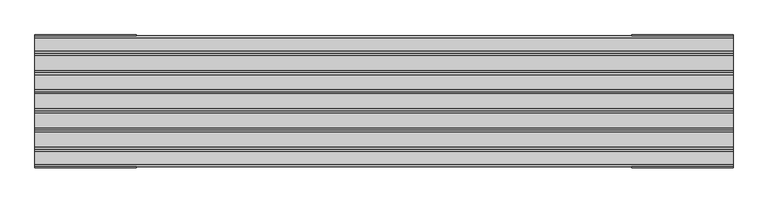
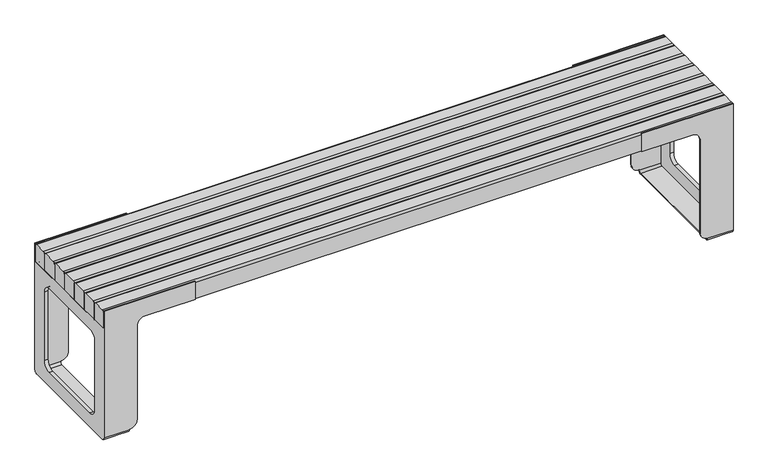
"""IFC4 building model written with IfcOpenShell, lengths in millimetres: furniture geometry."""

from ifc_helpers import new_model, si_unit, point, frame, frame_2d, origin, place, context, project, spatial, polyline, circle_curve, trimmed, segment, composite_curve, outline, extrude, source, transform, mapped, element, save
from ifc_brep_helpers import plane_surface, cylinder_surface, revolved_surface, advanced_brep


def furniture_3f1389cd(model_context):
    return source(origin(), model_context, "Body", "SolidModel", [
        advanced_brep(
        [(920.0000032, 190.4999943, 10.0), (920.0000032, 180.4999943, 0.0), (920.0000032, -180.5000057, 0.0), (920.0000032, -190.5000057, 10.0), (920.0000032, -190.5000057, 11.2), (920.0000032, -187.5000057, 11.2), (920.0000032, -187.5000057, 9.6519473), (920.0000032, -180.5000057, 2.6519473), (920.0000032, 180.4999958, 2.6519473), (920.0000032, 187.4999958, 9.6519473), (920.0000032, 187.4999958, 11.2), (920.0000032, 190.4999943, 11.2), (920.0000032, 180.4999958, 372.0000043), (920.0000032, -180.5000057, 372.0000043), (920.0000032, -187.5000057, 365.0000043), (920.0000032, -187.4999958, 375.0000029), (920.0000032, 187.4999958, 375.0000029), (920.0000032, 187.4999958, 365.0000043), (1000.0000075, -190.5000057, 10.0), (1000.0000075, -180.5000057, 0.0), (1000.0000075, 180.4999943, 0.0), (1000.0000075, 190.4999943, 10.0), (1000.0000075, 190.5000057, 435.0000106), (1000.0000075, 187.4999958, 435.0000106), (1000.0000075, 187.4999958, 375.0000029), (1000.0000075, -187.4999958, 375.0000029), (1000.0000075, -187.4999958, 435.0000106), (1000.0000075, -190.5000057, 435.0000106), (1000.0000075, 112.5000317, 327.8461224), (1000.0000075, 137.5000317, 302.8461224), (1000.0000075, 137.5000317, 72.0000018), (1000.0000075, 112.5000317, 47.0000018), (1000.0000075, -112.4999704, 47.0000018), (1000.0000075, -137.4999704, 72.0000018), (1000.0000075, -137.4999704, 302.8461224), (1000.0000075, -112.4999704, 327.8461224), (895.000003, 190.4999943, 36.2000001), (895.000003, 190.4999943, 350.0000029), (870.000003, 190.4999943, 375.0000029), (710.0000125, 190.4999943, 375.0000029), (710.0000125, 190.4999943, 435.0000106), (710.0000125, -190.5000057, 435.0000106), (710.0000125, -190.5000057, 375.0000029), (870.000003, -190.5000057, 375.0000029), (895.000003, -190.5000057, 350.0000029), (895.000003, -190.5000057, 36.2000001), (895.000003, -187.4999958, 36.2000001), (895.000003, -187.4999958, 350.0000029), (870.000003, -187.4999958, 375.0000029), (710.0000125, -187.4999958, 375.0000029), (710.0000125, -187.4999958, 435.0000106), (895.000003, 187.4999958, 36.2000001), (895.000003, 187.4999958, 350.0000029), (870.000003, 187.4999958, 375.0000029), (710.0000125, 187.4999958, 375.0000029), (710.0000125, 187.4999958, 435.0000106), (989.0000078, 187.4999958, 365.0000043), (989.0000078, 187.4999958, 9.6519473), (989.0000078, 180.4999958, 2.6519473), (989.0000078, -180.5000057, 2.6519473), (989.0000078, -187.5000057, 9.6519473), (989.0000078, -187.5000057, 365.0000043), (989.0000078, -180.5000057, 372.0000043), (989.0000078, 180.4999958, 372.0000043), (989.0000078, 137.5000317, 302.8461224), (989.0000078, 112.5000317, 327.8461224), (989.0000078, -112.4999704, 327.8461224), (989.0000078, -137.4999704, 302.8461224), (989.0000078, -137.4999704, 72.0000018), (989.0000078, -112.4999704, 47.0000018), (989.0000078, 112.5000317, 47.0000018), (989.0000078, 137.5000317, 72.0000018)],
        [
            (0, 1, circle_curve(frame((920.0000032, 180.4999943, 10.0), z_axis=(-1.0, 0.0, 0.0), x_axis=(0.0, -1.0, 0.0)), 10.0)),
            (1, 2),
            (2, 3, circle_curve(frame((920.0000032, -180.5000057, 10.0), z_axis=(-1.0, 0.0, 0.0), x_axis=(0.0, -1.0, 0.0)), 10.0)),
            (3, 4),
            (4, 5),
            (5, 6),
            (6, 7, circle_curve(frame((920.0000032, -180.5000057, 9.6519473), z_axis=(1.0, 0.0, 0.0), x_axis=(0.0, -1.0, 0.0)), 7.0)),
            (7, 8),
            (8, 9, circle_curve(frame((920.0000032, 180.4999958, 9.6519473), z_axis=(1.0, 0.0, 0.0), x_axis=(0.0, -1.0, 0.0)), 7.0)),
            (9, 10),
            (10, 11),
            (11, 0),
            (12, 13),
            (13, 14, circle_curve(frame((920.0000032, -180.5000057, 365.0000043), z_axis=(1.0, 0.0, 0.0), x_axis=(0.0, -1.0, 0.0)), 7.0)),
            (14, 15),
            (15, 16),
            (16, 17),
            (17, 12, circle_curve(frame((920.0000032, 180.4999958, 365.0000043), z_axis=(1.0, 0.0, 0.0), x_axis=(0.0, -1.0, 0.0)), 7.0)),
            (18, 19, circle_curve(frame((1000.0000075, -180.5000057, 10.0), z_axis=(1.0, 0.0, 0.0), x_axis=(0.0, -1.0, 0.0)), 10.0)),
            (19, 20),
            (20, 21, circle_curve(frame((1000.0000075, 180.4999943, 10.0), z_axis=(1.0, 0.0, 0.0), x_axis=(0.0, -1.0, 0.0)), 10.0)),
            (21, 22),
            (22, 23),
            (23, 24),
            (24, 25),
            (25, 26),
            (26, 27),
            (27, 18),
            (28, 29, circle_curve(frame((1000.0000075, 112.5000317, 302.8461224), z_axis=(-1.0, 0.0, 0.0), x_axis=(0.0, -1.0, 0.0)), 25.0)),
            (29, 30),
            (30, 31, circle_curve(frame((1000.0000075, 112.5000317, 72.0000018), z_axis=(-1.0, 0.0, 0.0), x_axis=(0.0, -1.0, 0.0)), 25.0)),
            (31, 32),
            (32, 33, circle_curve(frame((1000.0000075, -112.4999704, 72.0000018), z_axis=(-1.0, 0.0, 0.0), x_axis=(0.0, -1.0, 0.0)), 25.0)),
            (33, 34),
            (34, 35, circle_curve(frame((1000.0000075, -112.4999704, 302.8461224), z_axis=(-1.0, 0.0, 0.0), x_axis=(0.0, -1.0, 0.0)), 25.0)),
            (35, 28),
            (21, 0),
            (11, 36, circle_curve(frame((920.0000032, 190.4999943, 36.2000001), z_axis=(0.0, 1.0, 0.0), x_axis=(-1.0, 0.0, 0.0)), 25.0000002)),
            (36, 37),
            (37, 38, circle_curve(frame((870.000003, 190.4999943, 350.0000029), z_axis=(0.0, -1.0, 0.0), x_axis=(-1.0, 0.0, 0.0)), 25.0)),
            (38, 39),
            (39, 40),
            (40, 22),
            (15, 25),
            (24, 16),
            (3, 18),
            (27, 41),
            (41, 42),
            (42, 43),
            (43, 44, circle_curve(frame((870.000003, -190.5000057, 350.0000029), z_axis=(0.0, 1.0, 0.0), x_axis=(-1.0, 0.0, 0.0)), 25.0)),
            (44, 45),
            (45, 4, circle_curve(frame((920.0000032, -190.5000057, 36.2000001), z_axis=(0.0, -1.0, 0.0), x_axis=(-1.0, 0.0, 0.0)), 25.0000002)),
            (2, 19),
            (1, 20),
            (45, 46),
            (46, 5, circle_curve(frame((920.0000032, -187.4999958, 36.2000001), z_axis=(0.0, -1.0, 0.0), x_axis=(-1.0, 0.0, 0.0)), 25.0000002)),
            (44, 47),
            (47, 46),
            (43, 48),
            (48, 47, circle_curve(frame((870.000003, -187.4999958, 350.0000029), z_axis=(0.0, 1.0, 0.0), x_axis=(-1.0, 0.0, 0.0)), 25.0)),
            (42, 49),
            (49, 48),
            (41, 50),
            (50, 49),
            (26, 50),
            (10, 51, circle_curve(frame((920.0000032, 187.4999958, 36.2000001), z_axis=(0.0, 1.0, 0.0), x_axis=(-1.0, 0.0, 0.0)), 25.0000002)),
            (51, 36),
            (51, 52),
            (52, 37),
            (52, 53, circle_curve(frame((870.000003, 187.4999958, 350.0000029), z_axis=(0.0, -1.0, 0.0), x_axis=(-1.0, 0.0, 0.0)), 25.0)),
            (53, 38),
            (53, 54),
            (54, 39),
            (54, 55),
            (55, 40),
            (55, 23),
            (56, 57),
            (57, 58, circle_curve(frame((989.0000078, 180.4999958, 9.6519473), z_axis=(-1.0, 0.0, 0.0), x_axis=(0.0, -1.0, 0.0)), 7.0)),
            (58, 59),
            (59, 60, circle_curve(frame((989.0000078, -180.5000057, 9.6519473), z_axis=(-1.0, 0.0, 0.0), x_axis=(0.0, -1.0, 0.0)), 7.0)),
            (60, 61),
            (61, 62, circle_curve(frame((989.0000078, -180.5000057, 365.0000043), z_axis=(-1.0, 0.0, 0.0), x_axis=(0.0, -1.0, 0.0)), 7.0)),
            (62, 63),
            (63, 56, circle_curve(frame((989.0000078, 180.4999958, 365.0000043), z_axis=(-1.0, 0.0, 0.0), x_axis=(0.0, -1.0, 0.0)), 7.0)),
            (64, 65, circle_curve(frame((989.0000078, 112.5000317, 302.8461224), z_axis=(1.0, 0.0, 0.0), x_axis=(0.0, -1.0, 0.0)), 25.0)),
            (65, 66),
            (66, 67, circle_curve(frame((989.0000078, -112.4999704, 302.8461224), z_axis=(1.0, 0.0, 0.0), x_axis=(0.0, -1.0, 0.0)), 25.0)),
            (67, 68),
            (68, 69, circle_curve(frame((989.0000078, -112.4999704, 72.0000018), z_axis=(1.0, 0.0, 0.0), x_axis=(0.0, -1.0, 0.0)), 25.0)),
            (69, 70),
            (70, 71, circle_curve(frame((989.0000078, 112.5000317, 72.0000018), z_axis=(1.0, 0.0, 0.0), x_axis=(0.0, -1.0, 0.0)), 25.0)),
            (71, 64),
            (62, 13),
            (12, 63),
            (60, 6),
            (14, 61),
            (58, 8),
            (7, 59),
            (56, 17),
            (9, 57),
            (64, 29),
            (28, 65),
            (35, 66),
            (34, 67),
            (33, 68),
            (32, 69),
            (31, 70),
            (30, 71),
        ],
        [
            plane_surface(frame((920.0000032, 170.4999943, 10.0), z_axis=(-1.0, 0.0, 0.0), x_axis=(0.0, 0.0, 1.0))),
            plane_surface(frame((1000.0000075, 170.4999943, 10.0), z_axis=(1.0, 0.0, 0.0), x_axis=(0.0, 0.0, -1.0))),
            plane_surface(frame((920.0000032, 190.4999943, 375.0000029), z_axis=(0.0, 1.0, 0.0), x_axis=(1.0, 0.0, 0.0))),
            plane_surface(frame((920.0000032, -190.5000057, 375.0000029), z_axis=(0.0, 0.0, 1.0), x_axis=(1.0, 0.0, 0.0))),
            plane_surface(frame((920.0000032, -190.5000057, 10.0), z_axis=(0.0, -1.0, 0.0), x_axis=(1.0, 0.0, 0.0))),
            cylinder_surface(frame((1000.0000075, -180.5000057, 10.0), z_axis=(-1.0, 0.0, 0.0), x_axis=(0.0, -1.0, 0.0)), 10.0),
            plane_surface(frame((920.0000032, 180.4999943, 0.0), z_axis=(0.0, 0.0, -1.0), x_axis=(1.0, 0.0, 0.0))),
            cylinder_surface(frame((1000.0000075, 180.4999943, 10.0), z_axis=(-1.0, 0.0, 0.0), x_axis=(0.0, -1.0, 0.0)), 10.0),
            cylinder_surface(frame((920.0000032, -187.4999958, 36.2000001), z_axis=(0.0, -1.0, 0.0), x_axis=(-1.0, 0.0, 0.0)), 25.0000002),
            plane_surface(frame((895.000003, -190.5000057, 350.0000029), z_axis=(-1.0, 0.0, 0.0), x_axis=(0.0, 1.0, 0.0))),
            revolved_surface(polyline([(845.000003, -187.4999958, 350.0000029), (845.000003, -190.5000057, 350.0000029)]), (870.000003, -187.4999958, 350.0000029), (0.0, 1.0, 0.0)),
            plane_surface(frame((710.0000125, -190.5000057, 375.0000029), z_axis=(0.0, 0.0, -1.0), x_axis=(0.0, 1.0, 0.0))),
            plane_surface(frame((710.0000125, -190.5000057, 435.0000106), z_axis=(-1.0, 0.0, 0.0), x_axis=(0.0, 1.0, 0.0))),
            plane_surface(frame((1000.0000075, -190.5000057, 435.0000106), z_axis=(0.0, 0.0, 1.0), x_axis=(0.0, 1.0, 0.0))),
            cylinder_surface(frame((920.0000032, 187.4999958, 36.2000001), z_axis=(0.0, 1.0, 0.0), x_axis=(-1.0, 0.0, 0.0)), 25.0000002),
            plane_surface(frame((895.000003, 190.5000057, 36.2000001), z_axis=(-1.0, 0.0, 0.0), x_axis=(0.0, -1.0, 0.0))),
            revolved_surface(polyline([(845.000003, 187.4999958, 350.0000029), (845.000003, 190.4999943, 350.0000029)]), (870.000003, 187.4999958, 350.0000029), (0.0, -1.0, 0.0)),
            plane_surface(frame((870.000003, 190.5000057, 375.0000029), z_axis=(0.0, 0.0, -1.0), x_axis=(0.0, -1.0, 0.0))),
            plane_surface(frame((710.0000125, 190.5000057, 375.0000029), z_axis=(-1.0, 0.0, 0.0), x_axis=(0.0, -1.0, 0.0))),
            plane_surface(frame((710.0000125, 190.5000057, 435.0000106), z_axis=(0.0, 0.0, 1.0), x_axis=(0.0, -1.0, 0.0))),
            plane_surface(frame((989.0000078, 187.4999958, 11.3137092), z_axis=(-1.0, 0.0, 0.0), x_axis=(0.0, 0.0, 1.0))),
            plane_surface(frame((870.0000119, -180.5000057, 372.0000043), z_axis=(0.0, 0.0, -1.0), x_axis=(1.0, 0.0, 0.0))),
            plane_surface(frame((870.0000119, -187.5000057, 9.6519473), z_axis=(0.0, 1.0, 0.0), x_axis=(1.0, 0.0, 0.0))),
            plane_surface(frame((870.0000119, 180.4999958, 2.6519473), z_axis=(0.0, 0.0, 1.0), x_axis=(1.0, 0.0, 0.0))),
            plane_surface(frame((870.0000119, 187.4999958, 365.0000043), z_axis=(0.0, -1.0, 0.0), x_axis=(1.0, 0.0, 0.0))),
            revolved_surface(polyline([(920.0000032, 173.4999958, 365.0000043), (989.0000078, 173.4999958, 365.0000043)]), (989.0000078, 180.4999958, 365.0000043), (-1.0, 0.0, 0.0)),
            revolved_surface(polyline([(920.0000032, -187.5000057, 365.0000043), (989.0000078, -187.5000057, 365.0000043)]), (989.0000078, -180.5000057, 365.0000043), (-1.0, 0.0, 0.0)),
            revolved_surface(polyline([(920.0000032, -187.5000057, 9.6519473), (989.0000078, -187.5000057, 9.6519473)]), (989.0000078, -180.5000057, 9.6519473), (-1.0, 0.0, 0.0)),
            revolved_surface(polyline([(920.0000032, 173.4999958, 9.6519473), (989.0000078, 173.4999958, 9.6519473)]), (989.0000078, 180.4999958, 9.6519473), (-1.0, 0.0, 0.0)),
            revolved_surface(polyline([(1000.0000075, 87.5000317, 302.8461224), (989.0000078, 87.5000317, 302.8461224)]), (-1034.837753, 112.5000317, 302.8461224), (1.0, 0.0, 0.0)),
            plane_surface(frame((1231.682456, 112.5000317, 327.8461224), z_axis=(0.0, 0.0, -1.0), x_axis=(-1.0, 0.0, 0.0))),
            revolved_surface(polyline([(1000.0000075, -137.4999704, 302.8461224), (989.0000078, -137.4999704, 302.8461224)]), (-1034.837753, -112.4999704, 302.8461224), (1.0, 0.0, 0.0)),
            plane_surface(frame((1231.682456, -137.4999704, 302.8461224), z_axis=(0.0, 1.0, 0.0), x_axis=(-1.0, 0.0, 0.0))),
            revolved_surface(polyline([(1000.0000075, -137.4999704, 72.0000018), (989.0000078, -137.4999704, 72.0000018)]), (-1034.837753, -112.4999704, 72.0000018), (1.0, 0.0, 0.0)),
            plane_surface(frame((1231.682456, -112.4999704, 47.0000018), z_axis=(0.0, 0.0, 1.0), x_axis=(-1.0, 0.0, 0.0))),
            revolved_surface(polyline([(1000.0000075, 87.5000317, 72.0000018), (989.0000078, 87.5000317, 72.0000018)]), (-1034.837753, 112.5000317, 72.0000018), (1.0, 0.0, 0.0)),
            plane_surface(frame((1231.682456, 137.5000317, 72.0000018), z_axis=(0.0, -1.0, 0.0), x_axis=(-1.0, 0.0, 0.0))),
        ],
        [
            (0, [[1, 2, 3, 4, 5, 6, 7, 8, 9, 10, 11, 12]]),
            (0, [[13, 14, 15, 16, 17, 18]]),
            (1, [[19, 20, 21, 22, 23, 24, 25, 26, 27, 28], [29, 30, 31, 32, 33, 34, 35, 36]]),
            (2, [[37, -12, 38, 39, 40, 41, 42, 43, -22]]),
            (3, [[44, -25, 45, -16]]),
            (4, [[46, -28, 47, 48, 49, 50, 51, 52, -4]]),
            (5, [[-3, 53, -19, -46]]),
            (6, [[-2, 54, -20, -53]]),
            (7, [[-1, -37, -21, -54]]),
            (8, [[-52, 55, 56, -5]]),
            (9, [[-51, 57, 58, -55]]),
            (10, [[-50, 59, 60, -57]]),
            (11, [[-49, 61, 62, -59]]),
            (12, [[-48, 63, 64, -61]]),
            (13, [[-47, -27, 65, -63]]),
            (14, [[-38, -11, 66, 67]]),
            (15, [[-39, -67, 68, 69]]),
            (16, [[-40, -69, 70, 71]]),
            (17, [[-41, -71, 72, 73]]),
            (18, [[-42, -73, 74, 75]]),
            (19, [[-43, -75, 76, -23]]),
            (20, [[77, 78, 79, 80, 81, 82, 83, 84], [85, 86, 87, 88, 89, 90, 91, 92]]),
            (21, [[-83, 93, -13, 94]]),
            (22, [[-81, 95, -6, -56, -58, -60, -62, -64, -65, -26, -44, -15, 96]]),
            (23, [[-79, 97, -8, 98]]),
            (24, [[-77, 99, -17, -45, -24, -76, -74, -72, -70, -68, -66, -10, 100]]),
            (25, [[-84, -94, -18, -99]]),
            (26, [[-82, -96, -14, -93]]),
            (27, [[-80, -98, -7, -95]]),
            (28, [[-78, -100, -9, -97]]),
            (29, [[101, -29, 102, -85]]),
            (30, [[-102, -36, 103, -86]]),
            (31, [[-103, -35, 104, -87]]),
            (32, [[-104, -34, 105, -88]]),
            (33, [[-105, -33, 106, -89]]),
            (34, [[-106, -32, 107, -90]]),
            (35, [[-107, -31, 108, -91]]),
            (36, [[-101, -92, -108, -30]]),
        ],
    ),
        advanced_brep(
        [(-920.0000032, -190.5000057, 10.0), (-920.0000032, -180.5000057, 0.0), (-920.0000032, 180.4999943, 0.0), (-920.0000032, 190.4999943, 10.0), (-920.0000032, 190.4999943, 11.2), (-920.0000032, 187.4999958, 11.2), (-920.0000032, 187.4999958, 9.6519473), (-920.0000032, 180.4999958, 2.6519473), (-920.0000032, -180.5000057, 2.6519473), (-920.0000032, -187.5000057, 9.6519473), (-920.0000032, -187.5000057, 11.2), (-920.0000032, -190.5000057, 11.2), (-920.0000032, -180.5000057, 372.0000043), (-920.0000032, 180.4999958, 372.0000043), (-920.0000032, 187.4999958, 365.0000043), (-920.0000032, 187.4999958, 375.0000029), (-920.0000032, -187.4999958, 375.0000029), (-920.0000032, -187.4999958, 365.0000043), (-1000.0000075, 190.4999943, 10.0), (-1000.0000075, 180.4999943, 0.0), (-1000.0000075, -180.5000057, 0.0), (-1000.0000075, -190.5000057, 10.0), (-1000.0000075, -190.5000057, 435.0000106), (-1000.0000075, -187.4999958, 435.0000106), (-1000.0000075, -187.4999958, 375.0000029), (-1000.0000075, 187.4999958, 375.0000029), (-1000.0000075, 187.4999958, 435.0000106), (-1000.0000075, 190.5000057, 435.0000106), (-1000.0000075, 137.5000317, 302.8461224), (-1000.0000075, 112.5000317, 327.8461224), (-1000.0000075, -112.4999704, 327.8461224), (-1000.0000075, -137.4999704, 302.8461224), (-1000.0000075, -137.4999704, 72.0000018), (-1000.0000075, -112.4999704, 47.0000018), (-1000.0000075, 112.5000317, 47.0000018), (-1000.0000075, 137.5000317, 72.0000018), (-710.0000125, 190.4999943, 435.0000106), (-710.0000125, 190.4999943, 375.0000029), (-870.000003, 190.4999943, 375.0000029), (-895.000003, 190.4999943, 350.0000029), (-895.000003, 190.4999943, 36.2000001), (-895.000003, -190.5000057, 36.2000001), (-895.000003, -190.5000057, 350.0000029), (-870.000003, -190.5000057, 375.0000029), (-710.0000125, -190.5000057, 375.0000029), (-710.0000125, -190.5000057, 435.0000106), (-895.000003, -187.4999958, 36.2000001), (-895.000003, -187.4999958, 350.0000029), (-870.000003, -187.4999958, 375.0000029), (-710.0000125, -187.4999958, 375.0000029), (-710.0000125, -187.4999958, 435.0000106), (-895.000003, 187.4999958, 36.2000001), (-895.000003, 187.4999958, 350.0000029), (-870.000003, 187.4999958, 375.0000029), (-710.0000125, 187.4999958, 375.0000029), (-710.0000125, 187.4999958, 435.0000106), (-989.0000078, 187.4999958, 365.0000043), (-989.0000078, 180.4999958, 372.0000043), (-989.0000078, -180.5000057, 372.0000043), (-989.0000078, -187.5000057, 365.0000043), (-989.0000078, -187.5000057, 9.6519473), (-989.0000078, -180.5000057, 2.6519473), (-989.0000078, 180.4999958, 2.6519473), (-989.0000078, 187.4999958, 9.6519473), (-989.0000078, 112.5000317, 327.8461224), (-989.0000078, 137.5000317, 302.8461224), (-989.0000078, 137.5000317, 72.0000018), (-989.0000078, 112.5000317, 47.0000018), (-989.0000078, -112.4999704, 47.0000018), (-989.0000078, -137.4999704, 72.0000018), (-989.0000078, -137.4999704, 302.8461224), (-989.0000078, -112.4999704, 327.8461224)],
        [
            (0, 1, circle_curve(frame((-920.0000032, -180.5000057, 10.0), z_axis=(1.0, 0.0, 0.0), x_axis=(0.0, -1.0, 0.0)), 10.0)),
            (1, 2),
            (2, 3, circle_curve(frame((-920.0000032, 180.4999943, 10.0), z_axis=(1.0, 0.0, 0.0), x_axis=(0.0, -1.0, 0.0)), 10.0)),
            (3, 4),
            (4, 5),
            (5, 6),
            (6, 7, circle_curve(frame((-920.0000032, 180.4999958, 9.6519473), z_axis=(-1.0, 0.0, 0.0), x_axis=(0.0, -1.0, 0.0)), 7.0)),
            (7, 8),
            (8, 9, circle_curve(frame((-920.0000032, -180.5000057, 9.6519473), z_axis=(-1.0, 0.0, 0.0), x_axis=(0.0, -1.0, 0.0)), 7.0)),
            (9, 10),
            (10, 11),
            (11, 0),
            (12, 13),
            (13, 14, circle_curve(frame((-920.0000032, 180.4999958, 365.0000043), z_axis=(-1.0, 0.0, 0.0), x_axis=(0.0, -1.0, 0.0)), 7.0)),
            (14, 15),
            (15, 16),
            (16, 17),
            (17, 12, circle_curve(frame((-920.0000032, -180.5000057, 365.0000043), z_axis=(-1.0, 0.0, 0.0), x_axis=(0.0, -1.0, 0.0)), 7.0)),
            (18, 19, circle_curve(frame((-1000.0000075, 180.4999943, 10.0), z_axis=(-1.0, 0.0, 0.0), x_axis=(0.0, -1.0, 0.0)), 10.0)),
            (19, 20),
            (20, 21, circle_curve(frame((-1000.0000075, -180.5000057, 10.0), z_axis=(-1.0, 0.0, 0.0), x_axis=(0.0, -1.0, 0.0)), 10.0)),
            (21, 22),
            (22, 23),
            (23, 24),
            (24, 25),
            (25, 26),
            (26, 27),
            (27, 18),
            (28, 29, circle_curve(frame((-1000.0000075, 112.5000317, 302.8461224), z_axis=(1.0, 0.0, 0.0), x_axis=(0.0, -1.0, 0.0)), 25.0)),
            (29, 30),
            (30, 31, circle_curve(frame((-1000.0000075, -112.4999704, 302.8461224), z_axis=(1.0, 0.0, 0.0), x_axis=(0.0, -1.0, 0.0)), 25.0)),
            (31, 32),
            (32, 33, circle_curve(frame((-1000.0000075, -112.4999704, 72.0000018), z_axis=(1.0, 0.0, 0.0), x_axis=(0.0, -1.0, 0.0)), 25.0)),
            (33, 34),
            (34, 35, circle_curve(frame((-1000.0000075, 112.5000317, 72.0000018), z_axis=(1.0, 0.0, 0.0), x_axis=(0.0, -1.0, 0.0)), 25.0)),
            (35, 28),
            (27, 36),
            (36, 37),
            (37, 38),
            (38, 39, circle_curve(frame((-870.000003, 190.4999943, 350.0000029), z_axis=(0.0, -1.0, 0.0), x_axis=(1.0, 0.0, 0.0)), 25.0)),
            (39, 40),
            (40, 4, circle_curve(frame((-920.0000032, 190.4999943, 36.2000001), z_axis=(0.0, 1.0, 0.0), x_axis=(1.0, 0.0, 0.0)), 25.0000002)),
            (3, 18),
            (24, 16),
            (15, 25),
            (21, 0),
            (11, 41, circle_curve(frame((-920.0000032, -190.5000057, 36.2000001), z_axis=(0.0, -1.0, 0.0), x_axis=(1.0, 0.0, 0.0)), 25.0000002)),
            (41, 42),
            (42, 43, circle_curve(frame((-870.000003, -190.5000057, 350.0000029), z_axis=(0.0, 1.0, 0.0), x_axis=(1.0, 0.0, 0.0)), 25.0)),
            (43, 44),
            (44, 45),
            (45, 22),
            (20, 1),
            (19, 2),
            (10, 46, circle_curve(frame((-920.0000032, -187.4999958, 36.2000001), z_axis=(0.0, -1.0, 0.0), x_axis=(1.0, 0.0, 0.0)), 25.0000002)),
            (46, 41),
            (46, 47),
            (47, 42),
            (47, 48, circle_curve(frame((-870.000003, -187.4999958, 350.0000029), z_axis=(0.0, 1.0, 0.0), x_axis=(1.0, 0.0, 0.0)), 25.0)),
            (48, 43),
            (48, 49),
            (49, 44),
            (49, 50),
            (50, 45),
            (50, 23),
            (40, 51),
            (51, 5, circle_curve(frame((-920.0000032, 187.4999958, 36.2000001), z_axis=(0.0, 1.0, 0.0), x_axis=(1.0, 0.0, 0.0)), 25.0000002)),
            (39, 52),
            (52, 51),
            (38, 53),
            (53, 52, circle_curve(frame((-870.000003, 187.4999958, 350.0000029), z_axis=(0.0, -1.0, 0.0), x_axis=(1.0, 0.0, 0.0)), 25.0)),
            (37, 54),
            (54, 53),
            (36, 55),
            (55, 54),
            (26, 55),
            (56, 57, circle_curve(frame((-989.0000078, 180.4999958, 365.0000043), z_axis=(1.0, 0.0, 0.0), x_axis=(0.0, -1.0, 0.0)), 7.0)),
            (57, 58),
            (58, 59, circle_curve(frame((-989.0000078, -180.5000057, 365.0000043), z_axis=(1.0, 0.0, 0.0), x_axis=(0.0, -1.0, 0.0)), 7.0)),
            (59, 60),
            (60, 61, circle_curve(frame((-989.0000078, -180.5000057, 9.6519473), z_axis=(1.0, 0.0, 0.0), x_axis=(0.0, -1.0, 0.0)), 7.0)),
            (61, 62),
            (62, 63, circle_curve(frame((-989.0000078, 180.4999958, 9.6519473), z_axis=(1.0, 0.0, 0.0), x_axis=(0.0, -1.0, 0.0)), 7.0)),
            (63, 56),
            (64, 65, circle_curve(frame((-989.0000078, 112.5000317, 302.8461224), z_axis=(-1.0, 0.0, 0.0), x_axis=(0.0, -1.0, 0.0)), 25.0)),
            (65, 66),
            (66, 67, circle_curve(frame((-989.0000078, 112.5000317, 72.0000018), z_axis=(-1.0, 0.0, 0.0), x_axis=(0.0, -1.0, 0.0)), 25.0)),
            (67, 68),
            (68, 69, circle_curve(frame((-989.0000078, -112.4999704, 72.0000018), z_axis=(-1.0, 0.0, 0.0), x_axis=(0.0, -1.0, 0.0)), 25.0)),
            (69, 70),
            (70, 71, circle_curve(frame((-989.0000078, -112.4999704, 302.8461224), z_axis=(-1.0, 0.0, 0.0), x_axis=(0.0, -1.0, 0.0)), 25.0)),
            (71, 64),
            (57, 13),
            (12, 58),
            (59, 17),
            (9, 60),
            (61, 8),
            (7, 62),
            (63, 6),
            (14, 56),
            (28, 65),
            (64, 29),
            (71, 30),
            (70, 31),
            (69, 32),
            (68, 33),
            (67, 34),
            (66, 35),
        ],
        [
            plane_surface(frame((-920.0000032, 190.4999943, 375.0000029), z_axis=(1.0, 0.0, 0.0), x_axis=(0.0, 0.0, 1.0))),
            plane_surface(frame((-1000.0000075, 190.4999943, 375.0000029), z_axis=(-1.0, 0.0, 0.0), x_axis=(0.0, 0.0, -1.0))),
            plane_surface(frame((-920.0000032, 190.4999943, 10.0), z_axis=(0.0, 1.0, 0.0), x_axis=(-1.0, 0.0, 0.0))),
            plane_surface(frame((-920.0000032, 190.4999943, 375.0000029), z_axis=(0.0, 0.0, 1.0), x_axis=(-1.0, 0.0, 0.0))),
            plane_surface(frame((-920.0000032, -190.5000057, 375.0000029), z_axis=(0.0, -1.0, 0.0), x_axis=(-1.0, 0.0, 0.0))),
            cylinder_surface(frame((-1000.0000075, -180.5000057, 10.0), z_axis=(1.0, 0.0, 0.0), x_axis=(0.0, -1.0, 0.0)), 10.0),
            plane_surface(frame((-920.0000032, -180.5000057, 0.0), z_axis=(0.0, 0.0, -1.0), x_axis=(-1.0, 0.0, 0.0))),
            cylinder_surface(frame((-1000.0000075, 180.4999943, 10.0), z_axis=(1.0, 0.0, 0.0), x_axis=(0.0, -1.0, 0.0)), 10.0),
            cylinder_surface(frame((-920.0000032, -187.4999958, 36.2000001), z_axis=(0.0, -1.0, 0.0), x_axis=(1.0, 0.0, 0.0)), 25.0000002),
            plane_surface(frame((-895.000003, -190.5000057, 36.2000001), z_axis=(1.0, 0.0, 0.0), x_axis=(0.0, 1.0, 0.0))),
            revolved_surface(polyline([(-845.000003, -187.4999958, 350.0000029), (-845.000003, -190.5000057, 350.0000029)]), (-870.000003, -187.4999958, 350.0000029), (0.0, 1.0, 0.0)),
            plane_surface(frame((-870.000003, -190.5000057, 375.0000029), z_axis=(0.0, 0.0, -1.0), x_axis=(0.0, 1.0, 0.0))),
            plane_surface(frame((-710.0000125, -190.5000057, 375.0000029), z_axis=(1.0, 0.0, 0.0), x_axis=(0.0, 1.0, 0.0))),
            plane_surface(frame((-710.0000125, -190.5000057, 435.0000106), z_axis=(0.0, 0.0, 1.0), x_axis=(0.0, 1.0, 0.0))),
            cylinder_surface(frame((-920.0000032, 187.4999958, 36.2000001), z_axis=(0.0, 1.0, 0.0), x_axis=(1.0, 0.0, 0.0)), 25.0000002),
            plane_surface(frame((-895.000003, 190.5000057, 350.0000029), z_axis=(1.0, 0.0, 0.0), x_axis=(0.0, -1.0, 0.0))),
            revolved_surface(polyline([(-845.000003, 187.4999958, 350.0000029), (-845.000003, 190.4999943, 350.0000029)]), (-870.000003, 187.4999958, 350.0000029), (0.0, -1.0, 0.0)),
            plane_surface(frame((-710.0000125, 190.5000057, 375.0000029), z_axis=(0.0, 0.0, -1.0), x_axis=(0.0, -1.0, 0.0))),
            plane_surface(frame((-710.0000125, 190.5000057, 435.0000106), z_axis=(1.0, 0.0, 0.0), x_axis=(0.0, -1.0, 0.0))),
            plane_surface(frame((-1000.0000075, 190.5000057, 435.0000106), z_axis=(0.0, 0.0, 1.0), x_axis=(0.0, -1.0, 0.0))),
            plane_surface(frame((-989.0000078, 173.4999958, 365.0000043), z_axis=(1.0, 0.0, 0.0), x_axis=(0.0, 0.0, 1.0))),
            plane_surface(frame((-870.0000119, 180.4999958, 372.0000043), z_axis=(0.0, 0.0, -1.0), x_axis=(-1.0, 0.0, 0.0))),
            plane_surface(frame((-870.0000119, -187.5000057, 365.0000043), z_axis=(0.0, 1.0, 0.0), x_axis=(-1.0, 0.0, 0.0))),
            plane_surface(frame((-870.0000119, -180.5000057, 2.6519473), z_axis=(0.0, 0.0, 1.0), x_axis=(-1.0, 0.0, 0.0))),
            plane_surface(frame((-870.0000119, 187.4999958, 9.6519473), z_axis=(0.0, -1.0, 0.0), x_axis=(-1.0, 0.0, 0.0))),
            revolved_surface(polyline([(-920.0000032, 173.4999958, 365.0000043), (-989.0000078, 173.4999958, 365.0000043)]), (-989.0000078, 180.4999958, 365.0000043), (1.0, 0.0, 0.0)),
            revolved_surface(polyline([(-920.0000032, -187.5000057, 365.0000043), (-989.0000078, -187.5000057, 365.0000043)]), (-989.0000078, -180.5000057, 365.0000043), (1.0, 0.0, 0.0)),
            revolved_surface(polyline([(-920.0000032, -187.5000057, 9.6519473), (-989.0000078, -187.5000057, 9.6519473)]), (-989.0000078, -180.5000057, 9.6519473), (1.0, 0.0, 0.0)),
            revolved_surface(polyline([(-920.0000032, 173.4999958, 9.6519473), (-989.0000078, 173.4999958, 9.6519473)]), (-989.0000078, 180.4999958, 9.6519473), (1.0, 0.0, 0.0)),
            revolved_surface(polyline([(-989.0000078, 87.5000317, 302.8461224), (-1000.0000075, 87.5000317, 302.8461224)]), (-1034.837753, 112.5000317, 302.8461224), (1.0, 0.0, 0.0)),
            plane_surface(frame((1231.682456, 112.5000317, 327.8461224), z_axis=(0.0, 0.0, -1.0), x_axis=(-1.0, 0.0, 0.0))),
            revolved_surface(polyline([(-989.0000078, -137.4999704, 302.8461224), (-1000.0000075, -137.4999704, 302.8461224)]), (-1034.837753, -112.4999704, 302.8461224), (1.0, 0.0, 0.0)),
            plane_surface(frame((1231.682456, -137.4999704, 302.8461224), z_axis=(0.0, 1.0, 0.0), x_axis=(-1.0, 0.0, 0.0))),
            revolved_surface(polyline([(-989.0000078, -137.4999704, 72.0000018), (-1000.0000075, -137.4999704, 72.0000018)]), (-1034.837753, -112.4999704, 72.0000018), (1.0, 0.0, 0.0)),
            plane_surface(frame((1231.682456, -112.4999704, 47.0000018), z_axis=(0.0, 0.0, 1.0), x_axis=(-1.0, 0.0, 0.0))),
            revolved_surface(polyline([(-989.0000078, 87.5000317, 72.0000018), (-1000.0000075, 87.5000317, 72.0000018)]), (-1034.837753, 112.5000317, 72.0000018), (1.0, 0.0, 0.0)),
            plane_surface(frame((1231.682456, 137.5000317, 72.0000018), z_axis=(0.0, -1.0, 0.0), x_axis=(-1.0, 0.0, 0.0))),
        ],
        [
            (0, [[1, 2, 3, 4, 5, 6, 7, 8, 9, 10, 11, 12]]),
            (0, [[13, 14, 15, 16, 17, 18]]),
            (1, [[19, 20, 21, 22, 23, 24, 25, 26, 27, 28], [29, 30, 31, 32, 33, 34, 35, 36]]),
            (2, [[-28, 37, 38, 39, 40, 41, 42, -4, 43]]),
            (3, [[44, -16, 45, -25]]),
            (4, [[46, -12, 47, 48, 49, 50, 51, 52, -22]]),
            (5, [[-1, -46, -21, 53]]),
            (6, [[-2, -53, -20, 54]]),
            (7, [[-3, -54, -19, -43]]),
            (8, [[-47, -11, 55, 56]]),
            (9, [[-48, -56, 57, 58]]),
            (10, [[-49, -58, 59, 60]]),
            (11, [[-50, -60, 61, 62]]),
            (12, [[-51, -62, 63, 64]]),
            (13, [[-52, -64, 65, -23]]),
            (14, [[-42, 66, 67, -5]]),
            (15, [[-41, 68, 69, -66]]),
            (16, [[-40, 70, 71, -68]]),
            (17, [[-39, 72, 73, -70]]),
            (18, [[-38, 74, 75, -72]]),
            (19, [[-37, -27, 76, -74]]),
            (20, [[77, 78, 79, 80, 81, 82, 83, 84], [85, 86, 87, 88, 89, 90, 91, 92]]),
            (21, [[-78, 93, -13, 94]]),
            (22, [[-80, 95, -17, -44, -24, -65, -63, -61, -59, -57, -55, -10, 96]]),
            (23, [[-82, 97, -8, 98]]),
            (24, [[-84, 99, -6, -67, -69, -71, -73, -75, -76, -26, -45, -15, 100]]),
            (25, [[-77, -100, -14, -93]]),
            (26, [[-79, -94, -18, -95]]),
            (27, [[-81, -96, -9, -97]]),
            (28, [[-83, -98, -7, -99]]),
            (29, [[101, -85, 102, -29]]),
            (30, [[-102, -92, 103, -30]]),
            (31, [[-103, -91, 104, -31]]),
            (32, [[-104, -90, 105, -32]]),
            (33, [[-105, -89, 106, -33]]),
            (34, [[-106, -88, 107, -34]]),
            (35, [[-107, -87, 108, -35]]),
            (36, [[-101, -36, -108, -86]]),
        ],
    ),
        extrude(outline(composite_curve([segment(trimmed(circle_curve(frame_2d((88.4999913, 429.0000106)), 6.0), [point((82.4999913, 429.0000106))], [point((88.4999913, 435.0000106))], False, "CARTESIAN"), True, "CONTINUOUS"), segment(polyline([(88.4999913, 435.0000106), (131.4849653, 435.0000106)]), True, "CONTINUOUS"), segment(trimmed(circle_curve(frame_2d((131.4849653, 428.9849806)), 6.01503), [point((131.4849653, 435.0000106))], [point((137.4999954, 428.9849806))], False, "CARTESIAN"), True, "CONTINUOUS"), segment(polyline([(137.4999954, 428.9849806), (137.4999954, 375.0000029), (82.4999913, 375.0000029), (82.4999913, 429.0000106)]), True, "CONTINUOUS")], self_intersect=False)), frame((-1000.0000075, 0.0, 0.0), z_axis=(1.0, 0.0, 0.0), x_axis=(0.0, 1.0, 0.0)), (0.0, 0.0, 1.0), 2000.0000153),
        extrude(outline(composite_curve([segment(trimmed(circle_curve(frame_2d((-21.4999963, 429.0000106)), 6.0), [point((-27.4999963, 429.0000106))], [point((-21.4999963, 435.0000106))], False, "CARTESIAN"), True, "CONTINUOUS"), segment(polyline([(-21.4999963, 435.0000106), (21.4849663, 435.0000106)]), True, "CONTINUOUS"), segment(trimmed(circle_curve(frame_2d((21.4849663, 428.9849806)), 6.01503), [point((21.4849663, 435.0000106))], [point((27.4999963, 428.9849806))], False, "CARTESIAN"), True, "CONTINUOUS"), segment(polyline([(27.4999963, 428.9849806), (27.4999963, 375.0000029), (-27.4999963, 375.0000029), (-27.4999963, 429.0000106)]), True, "CONTINUOUS")], self_intersect=False)), frame((-1000.0000075, 0.0, 0.0), z_axis=(1.0, 0.0, 0.0), x_axis=(0.0, 1.0, 0.0)), (0.0, 0.0, 1.0), 2000.0000153),
        extrude(outline(composite_curve([segment(trimmed(circle_curve(frame_2d((-131.4999954, 429.0000106)), 6.0), [point((-137.4999954, 429.0000106))], [point((-131.4999954, 435.0000106))], False, "CARTESIAN"), True, "CONTINUOUS"), segment(polyline([(-131.4999954, 435.0000106), (-88.5150214, 435.0000106)]), True, "CONTINUOUS"), segment(trimmed(circle_curve(frame_2d((-88.5150214, 428.9849806)), 6.01503), [point((-88.5150214, 435.0000106))], [point((-82.4999913, 428.9849806))], False, "CARTESIAN"), True, "CONTINUOUS"), segment(polyline([(-82.4999913, 428.9849806), (-82.4999913, 375.0000029), (-137.4999954, 375.0000029), (-137.4999954, 429.0000106)]), True, "CONTINUOUS")], self_intersect=False)), frame((-1000.0000075, 0.0, 0.0), z_axis=(1.0, 0.0, 0.0), x_axis=(0.0, 1.0, 0.0)), (0.0, 0.0, 1.0), 2000.0000153),
        extrude(outline(composite_curve([segment(trimmed(circle_curve(frame_2d((143.4999954, 429.0000106)), 6.0), [point((137.4999954, 429.0000106))], [point((143.4999954, 435.0000106))], False, "CARTESIAN"), True, "CONTINUOUS"), segment(polyline([(143.4999954, 435.0000106), (181.4849657, 435.0000106)]), True, "CONTINUOUS"), segment(trimmed(circle_curve(frame_2d((181.4849657, 428.9849806)), 6.01503), [point((181.4849657, 435.0000106))], [point((187.4999958, 428.9849806))], False, "CARTESIAN"), True, "CONTINUOUS"), segment(polyline([(187.4999958, 428.9849806), (187.4999958, 375.0000029), (137.4999954, 375.0000029), (137.4999954, 429.0000106)]), True, "CONTINUOUS")], self_intersect=False)), frame((-1000.0000075, 0.0, 0.0), z_axis=(1.0, 0.0, 0.0), x_axis=(0.0, 1.0, 0.0)), (0.0, 0.0, 1.0), 2000.0000153),
        extrude(outline(composite_curve([segment(trimmed(circle_curve(frame_2d((76.4999913, 429.0000106)), 6.0), [point((76.4999913, 435.0000106))], [point((82.4999913, 429.0000106))], False, "CARTESIAN"), True, "CONTINUOUS"), segment(polyline([(82.4999913, 429.0000106), (82.4999913, 375.0000029), (27.4999963, 375.0000029), (27.4999963, 429.0000106)]), True, "CONTINUOUS"), segment(trimmed(circle_curve(frame_2d((33.4999963, 429.0000106)), 6.0), [point((27.4999963, 429.0000106))], [point((33.4999963, 435.0000106))], False, "CARTESIAN"), True, "CONTINUOUS"), segment(polyline([(33.4999963, 435.0000106), (76.4999913, 435.0000106)]), True, "CONTINUOUS")], self_intersect=False)), frame((-1000.0000075, 0.0, 0.0), z_axis=(1.0, 0.0, 0.0), x_axis=(0.0, 1.0, 0.0)), (0.0, 0.0, 1.0), 2000.0000153),
        extrude(outline(composite_curve([segment(polyline([(-27.4999963, 429.0000106), (-27.4999963, 375.0000029), (-82.4999913, 375.0000029), (-82.4999913, 429.0000106)]), True, "CONTINUOUS"), segment(trimmed(circle_curve(frame_2d((-76.4999913, 429.0000106)), 6.0), [point((-82.4999913, 429.0000106))], [point((-76.4999913, 435.0000106))], False, "CARTESIAN"), True, "CONTINUOUS"), segment(polyline([(-76.4999913, 435.0000106), (-33.4999963, 435.0000106)]), True, "CONTINUOUS"), segment(trimmed(circle_curve(frame_2d((-33.4999963, 429.0000106)), 6.0), [point((-33.4999963, 435.0000106))], [point((-27.4999963, 429.0000106))], False, "CARTESIAN"), True, "CONTINUOUS")], self_intersect=False)), frame((-1000.0000075, 0.0, 0.0), z_axis=(1.0, 0.0, 0.0), x_axis=(0.0, 1.0, 0.0)), (0.0, 0.0, 1.0), 2000.0000153),
        extrude(outline(composite_curve([segment(polyline([(-137.4999954, 429.0000106), (-137.4999954, 375.0000029), (-187.4999958, 375.0000029), (-187.4999958, 429.0000106)]), True, "CONTINUOUS"), segment(trimmed(circle_curve(frame_2d((-181.4999958, 429.0000106)), 6.0), [point((-187.4999958, 429.0000106))], [point((-181.4999958, 435.0000106))], False, "CARTESIAN"), True, "CONTINUOUS"), segment(polyline([(-181.4999958, 435.0000106), (-143.4999954, 435.0000106)]), True, "CONTINUOUS"), segment(trimmed(circle_curve(frame_2d((-143.4999954, 429.0000106)), 6.0), [point((-143.4999954, 435.0000106))], [point((-137.4999954, 429.0000106))], False, "CARTESIAN"), True, "CONTINUOUS")], self_intersect=False)), frame((-1000.0000075, 0.0, 0.0), z_axis=(1.0, 0.0, 0.0), x_axis=(0.0, 1.0, 0.0)), (0.0, 0.0, 1.0), 2000.0000153),
    ])


if __name__ == "__main__":
    model = new_model("IFC4")
    model_context = context("Model", 3, world=origin())
    ifc_project = project(units=[si_unit("LENGTHUNIT", "METRE", prefix="MILLI")], contexts=[model_context])
    site = spatial("IfcSite", under=ifc_project)
    building = spatial("IfcBuilding", under=site)
    placement = place(None, origin())
    furniture_shape = furniture_3f1389cd(model_context)
    element("IfcFurniture", 1, at=placement, inside=building, context=model_context, shape_type="MappedRepresentation", body=[
        mapped(furniture_shape, transform((0.0, 0.0, 0.0), x_axis=(1.0, 0.0, 0.0), y_axis=(0.0, 1.0, 0.0), z_axis=(0.0, 0.0, 1.0))),
    ])
    save(model, "model.ifc")
